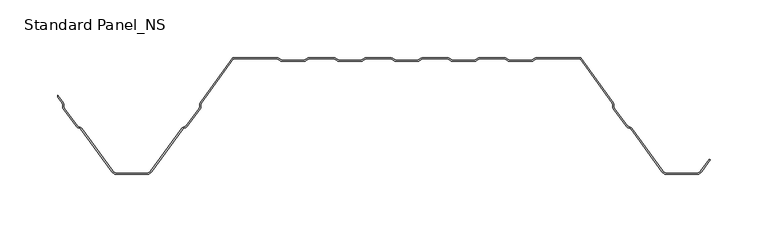
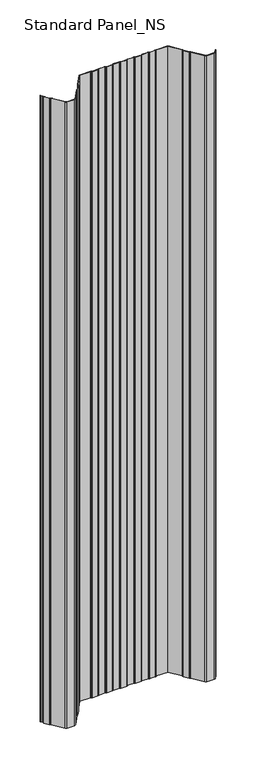
"""IFC4 building model written with IfcOpenShell, lengths in millimetres: proxy geometry, Standard Panel_NS."""

from ifc_helpers import new_model, si_unit, point, frame, frame_2d, origin, place, context, project, spatial, polyline, circle_curve, trimmed, segment, composite_curve, outline, extrude, source, transform, mapped, element, save


def standard_panel_ns_fb59e792(model_context):
    return source(origin(), model_context, "Body", "SweptSolid", [
        extrude(outline(composite_curve([segment(trimmed(circle_curve(frame_2d((-267.5943585, -40.4146398)), 2.7486049), [point((-265.3690593, -38.8012978))], [point((-264.8478766, -40.3066321))], False, "CARTESIAN"), True, "CONTINUOUS"), segment(polyline([(-264.8478766, -40.3066321), (-264.7597012, -42.5488047)]), True, "CONTINUOUS"), segment(trimmed(circle_curve(frame_2d((-263.0124469, -42.4800924)), 1.7486049), [point((-264.7597012, -42.5488047))], [point((-264.4281357, -43.5064668))], True, "CARTESIAN"), True, "CONTINUOUS"), segment(polyline([(-264.4281357, -43.5064668), (-253.3103066, -58.8414035)]), True, "CONTINUOUS"), segment(trimmed(circle_curve(frame_2d((-251.8946178, -57.8150291)), 1.7486049), [point((-253.3103066, -58.8414035))], [point((-252.503212, -59.4543071))], True, "CARTESIAN"), True, "CONTINUOUS"), segment(polyline([(-252.503212, -59.4543071), (-250.3996006, -60.2352885)]), True, "CONTINUOUS"), segment(trimmed(circle_curve(frame_2d((-251.3562404, -62.8120441)), 2.7486049), [point((-250.3996006, -60.2352885))], [point((-249.1309412, -61.1987022))], False, "CARTESIAN"), True, "CONTINUOUS"), segment(polyline([(-249.1309412, -61.1987022), (-222.4972428, -97.9348379)]), True, "CONTINUOUS"), segment(trimmed(circle_curve(frame_2d((-218.4491906, -95.0)), 5.0), [point((-222.4972428, -97.9348379))], [point((-218.4491906, -100.0))], True, "CARTESIAN"), True, "CONTINUOUS"), segment(polyline([(-218.4491906, -100.0), (-193.5508099, -100.0)]), True, "CONTINUOUS"), segment(trimmed(circle_curve(frame_2d((-193.5508099, -95.0)), 5.0), [point((-193.5508099, -100.0))], [point((-189.5027577, -97.9348379))], True, "CARTESIAN"), True, "CONTINUOUS"), segment(polyline([(-189.5027577, -97.9348379), (-162.8690593, -61.1987022)]), True, "CONTINUOUS"), segment(trimmed(circle_curve(frame_2d((-160.6437601, -62.8120441)), 2.7486049), [point((-162.8690593, -61.1987022))], [point((-161.6003999, -60.2352885))], False, "CARTESIAN"), True, "CONTINUOUS"), segment(polyline([(-161.6003999, -60.2352885), (-159.4967885, -59.4543071)]), True, "CONTINUOUS"), segment(trimmed(circle_curve(frame_2d((-160.1053827, -57.8150291)), 1.7486049), [point((-159.4967885, -59.4543071))], [point((-158.6896939, -58.8414035))], True, "CARTESIAN"), True, "CONTINUOUS"), segment(polyline([(-158.6896939, -58.8414035), (-147.5718648, -43.5064668)]), True, "CONTINUOUS"), segment(trimmed(circle_curve(frame_2d((-148.9875536, -42.4800924)), 1.7486049), [point((-147.5718648, -43.5064668))], [point((-147.2402992, -42.5488047))], True, "CARTESIAN"), True, "CONTINUOUS"), segment(polyline([(-147.2402992, -42.5488047), (-147.1521239, -40.3066321)]), True, "CONTINUOUS"), segment(trimmed(circle_curve(frame_2d((-144.4056419, -40.4146398)), 2.7486049), [point((-147.1521239, -40.3066321))], [point((-146.6309412, -38.8012978))], False, "CARTESIAN"), True, "CONTINUOUS"), segment(polyline([(-146.6309412, -38.8012978), (-118.5000002, 0.0), (-80.1655442, 0.0)]), True, "CONTINUOUS"), segment(trimmed(circle_curve(frame_2d((-80.1655442, -2.7486049)), 2.7486049), [point((-80.1655442, 0.0))], [point((-78.6408925, -0.4616274))], False, "CARTESIAN"), True, "CONTINUOUS"), segment(polyline([(-78.6408925, -0.4616274), (-76.7738501, -1.7063223)]), True, "CONTINUOUS"), segment(trimmed(circle_curve(frame_2d((-75.8038986, -0.2513951)), 1.7486049), [point((-76.7738501, -1.7063223))], [point((-75.8038986, -2.0))], True, "CARTESIAN"), True, "CONTINUOUS"), segment(polyline([(-75.8038986, -2.0), (-56.8627685, -2.0)]), True, "CONTINUOUS"), segment(trimmed(circle_curve(frame_2d((-56.8627685, -0.2513951)), 1.7486049), [point((-56.8627685, -2.0))], [point((-55.892817, -1.7063223))], True, "CARTESIAN"), True, "CONTINUOUS"), segment(polyline([(-55.892817, -1.7063223), (-54.0257746, -0.4616274)]), True, "CONTINUOUS"), segment(trimmed(circle_curve(frame_2d((-52.501123, -2.7486049)), 2.7486049), [point((-54.0257746, -0.4616274))], [point((-52.501123, 0.0))], False, "CARTESIAN"), True, "CONTINUOUS"), segment(polyline([(-52.501123, 0.0), (-30.9988775, 0.0)]), True, "CONTINUOUS"), segment(trimmed(circle_curve(frame_2d((-30.9988775, -2.7486049)), 2.7486049), [point((-30.9988775, 0.0))], [point((-29.4742258, -0.4616274))], False, "CARTESIAN"), True, "CONTINUOUS"), segment(polyline([(-29.4742258, -0.4616274), (-27.6071834, -1.7063223)]), True, "CONTINUOUS"), segment(trimmed(circle_curve(frame_2d((-26.6372319, -0.2513951)), 1.7486049), [point((-27.6071834, -1.7063223))], [point((-26.6372319, -2.0))], True, "CARTESIAN"), True, "CONTINUOUS"), segment(polyline([(-26.6372319, -2.0), (-7.6961019, -2.0)]), True, "CONTINUOUS"), segment(trimmed(circle_curve(frame_2d((-7.6961019, -0.2513951)), 1.7486049), [point((-7.6961019, -2.0))], [point((-6.7261504, -1.7063223))], True, "CARTESIAN"), True, "CONTINUOUS"), segment(polyline([(-6.7261504, -1.7063223), (-4.859108, -0.4616274)]), True, "CONTINUOUS"), segment(trimmed(circle_curve(frame_2d((-3.3344563, -2.7486049)), 2.7486049), [point((-4.859108, -0.4616274))], [point((-3.3344563, 0.0))], False, "CARTESIAN"), True, "CONTINUOUS"), segment(polyline([(-3.3344563, 0.0), (18.1677892, 0.0)]), True, "CONTINUOUS"), segment(trimmed(circle_curve(frame_2d((18.1677892, -2.7486049)), 2.7486049), [point((18.1677892, 0.0))], [point((19.6924408, -0.4616274))], False, "CARTESIAN"), True, "CONTINUOUS"), segment(polyline([(19.6924408, -0.4616274), (21.5594833, -1.7063223)]), True, "CONTINUOUS"), segment(trimmed(circle_curve(frame_2d((22.5294347, -0.2513951)), 1.7486049), [point((21.5594833, -1.7063223))], [point((22.5294347, -2.0))], True, "CARTESIAN"), True, "CONTINUOUS"), segment(polyline([(22.5294347, -2.0), (41.4705648, -2.0)]), True, "CONTINUOUS"), segment(trimmed(circle_curve(frame_2d((41.4705648, -0.2513951)), 1.7486049), [point((41.4705648, -2.0))], [point((42.4405163, -1.7063223))], True, "CARTESIAN"), True, "CONTINUOUS"), segment(polyline([(42.4405163, -1.7063223), (44.3075587, -0.4616274)]), True, "CONTINUOUS"), segment(trimmed(circle_curve(frame_2d((45.8322104, -2.7486049)), 2.7486049), [point((44.3075587, -0.4616274))], [point((45.8322104, 0.0))], False, "CARTESIAN"), True, "CONTINUOUS"), segment(polyline([(45.8322104, 0.0), (67.3344558, 0.0)]), True, "CONTINUOUS"), segment(trimmed(circle_curve(frame_2d((67.3344558, -2.7486049)), 2.7486049), [point((67.3344558, 0.0))], [point((68.8591075, -0.4616274))], False, "CARTESIAN"), True, "CONTINUOUS"), segment(polyline([(68.8591075, -0.4616274), (70.7261499, -1.7063223)]), True, "CONTINUOUS"), segment(trimmed(circle_curve(frame_2d((71.6961014, -0.2513951)), 1.7486049), [point((70.7261499, -1.7063223))], [point((71.6961014, -2.0))], True, "CARTESIAN"), True, "CONTINUOUS"), segment(polyline([(71.6961014, -2.0), (90.6372315, -2.0)]), True, "CONTINUOUS"), segment(trimmed(circle_curve(frame_2d((90.6372315, -0.2513951)), 1.7486049), [point((90.6372315, -2.0))], [point((91.607183, -1.7063223))], True, "CARTESIAN"), True, "CONTINUOUS"), segment(polyline([(91.607183, -1.7063223), (93.4742254, -0.4616274)]), True, "CONTINUOUS"), segment(trimmed(circle_curve(frame_2d((94.998877, -2.7486049)), 2.7486049), [point((93.4742254, -0.4616274))], [point((94.998877, 0.0))], False, "CARTESIAN"), True, "CONTINUOUS"), segment(polyline([(94.998877, 0.0), (116.5011225, 0.0)]), True, "CONTINUOUS"), segment(trimmed(circle_curve(frame_2d((116.5011225, -2.7486049)), 2.7486049), [point((116.5011225, 0.0))], [point((118.0257742, -0.4616274))], False, "CARTESIAN"), True, "CONTINUOUS"), segment(polyline([(118.0257742, -0.4616274), (119.8928166, -1.7063223)]), True, "CONTINUOUS"), segment(trimmed(circle_curve(frame_2d((120.8627681, -0.2513951)), 1.7486049), [point((119.8928166, -1.7063223))], [point((120.8627681, -2.0))], True, "CARTESIAN"), True, "CONTINUOUS"), segment(polyline([(120.8627681, -2.0), (139.8038981, -2.0)]), True, "CONTINUOUS"), segment(trimmed(circle_curve(frame_2d((139.8038981, -0.2513951)), 1.7486049), [point((139.8038981, -2.0))], [point((140.7738496, -1.7063223))], True, "CARTESIAN"), True, "CONTINUOUS"), segment(polyline([(140.7738496, -1.7063223), (142.640892, -0.4616274)]), True, "CONTINUOUS"), segment(trimmed(circle_curve(frame_2d((144.1655437, -2.7486049)), 2.7486049), [point((142.640892, -0.4616274))], [point((144.1655437, 0.0))], False, "CARTESIAN"), True, "CONTINUOUS"), segment(polyline([(144.1655437, 0.0), (182.4999998, 0.0), (210.6309407, -38.8012978)]), True, "CONTINUOUS"), segment(trimmed(circle_curve(frame_2d((208.4056415, -40.4146398)), 2.7486049), [point((210.6309407, -38.8012978))], [point((211.1521234, -40.3066321))], False, "CARTESIAN"), True, "CONTINUOUS"), segment(polyline([(211.1521234, -40.3066321), (211.2402988, -42.5488047)]), True, "CONTINUOUS"), segment(trimmed(circle_curve(frame_2d((212.9875531, -42.4800924)), 1.7486049), [point((211.2402988, -42.5488047))], [point((211.5718643, -43.5064668))], True, "CARTESIAN"), True, "CONTINUOUS"), segment(polyline([(211.5718643, -43.5064668), (222.6896934, -58.8414035)]), True, "CONTINUOUS"), segment(trimmed(circle_curve(frame_2d((224.1053822, -57.8150291)), 1.7486049), [point((222.6896934, -58.8414035))], [point((223.496788, -59.4543071))], True, "CARTESIAN"), True, "CONTINUOUS"), segment(polyline([(223.496788, -59.4543071), (225.6003994, -60.2352885)]), True, "CONTINUOUS"), segment(trimmed(circle_curve(frame_2d((224.6437596, -62.8120441)), 2.7486049), [point((225.6003994, -60.2352885))], [point((226.8690588, -61.1987022))], False, "CARTESIAN"), True, "CONTINUOUS"), segment(polyline([(226.8690588, -61.1987022), (253.5027572, -97.9348379)]), True, "CONTINUOUS"), segment(trimmed(circle_curve(frame_2d((257.5508094, -95.0)), 5.0), [point((253.5027572, -97.9348379))], [point((257.5508094, -100.0))], True, "CARTESIAN"), True, "CONTINUOUS"), segment(polyline([(257.5508094, -100.0), (282.4491901, -100.0)]), True, "CONTINUOUS"), segment(trimmed(circle_curve(frame_2d((282.4491901, -95.0)), 5.0), [point((282.4491901, -100.0))], [point((286.4972423, -97.9348379))], True, "CARTESIAN"), True, "CONTINUOUS"), segment(polyline([(286.4972423, -97.9348379), (293.8045133, -87.8558433), (294.6141238, -88.4428109), (287.3068528, -98.5218054)]), True, "CONTINUOUS"), segment(trimmed(circle_curve(frame_2d((282.4491901, -95.0)), 6.0), [point((287.3068528, -98.5218054))], [point((282.4491901, -101.0))], False, "CARTESIAN"), True, "CONTINUOUS"), segment(polyline([(282.4491901, -101.0), (257.5508094, -101.0)]), True, "CONTINUOUS"), segment(trimmed(circle_curve(frame_2d((257.5508094, -95.0)), 6.0), [point((257.5508094, -101.0))], [point((252.6931468, -98.5218054))], False, "CARTESIAN"), True, "CONTINUOUS"), segment(polyline([(252.6931468, -98.5218054), (226.0594484, -61.7856697)]), True, "CONTINUOUS"), segment(trimmed(circle_curve(frame_2d((224.6437596, -62.8120441)), 1.7486049), [point((226.0594484, -61.7856697))], [point((225.2523538, -61.1727662))], True, "CARTESIAN"), True, "CONTINUOUS"), segment(polyline([(225.2523538, -61.1727662), (223.1487424, -60.3917847)]), True, "CONTINUOUS"), segment(trimmed(circle_curve(frame_2d((224.1053822, -57.8150291)), 2.7486049), [point((223.1487424, -60.3917847))], [point((221.880083, -59.4283711))], False, "CARTESIAN"), True, "CONTINUOUS"), segment(polyline([(221.880083, -59.4283711), (210.7622539, -44.0934344)]), True, "CONTINUOUS"), segment(trimmed(circle_curve(frame_2d((212.9875531, -42.4800924)), 2.7486049), [point((210.7622539, -44.0934344))], [point((210.2410711, -42.5881001))], False, "CARTESIAN"), True, "CONTINUOUS"), segment(polyline([(210.2410711, -42.5881001), (210.1528958, -40.3459275)]), True, "CONTINUOUS"), segment(trimmed(circle_curve(frame_2d((208.4056415, -40.4146398)), 1.7486049), [point((210.1528958, -40.3459275))], [point((209.8213303, -39.3882654))], True, "CARTESIAN"), True, "CONTINUOUS"), segment(polyline([(209.8213303, -39.3882654), (181.9898378, -1.0), (144.1655437, -1.0)]), True, "CONTINUOUS"), segment(trimmed(circle_curve(frame_2d((144.1655437, -2.7486049)), 1.7486049), [point((144.1655437, -1.0))], [point((143.1955922, -1.2936777))], True, "CARTESIAN"), True, "CONTINUOUS"), segment(polyline([(143.1955922, -1.2936777), (141.3285498, -2.5383726)]), True, "CONTINUOUS"), segment(trimmed(circle_curve(frame_2d((139.8038981, -0.2513951)), 2.7486049), [point((141.3285498, -2.5383726))], [point((139.8038981, -3.0))], False, "CARTESIAN"), True, "CONTINUOUS"), segment(polyline([(139.8038981, -3.0), (120.8627681, -3.0)]), True, "CONTINUOUS"), segment(trimmed(circle_curve(frame_2d((120.8627681, -0.2513951)), 2.7486049), [point((120.8627681, -3.0))], [point((119.3381164, -2.5383726))], False, "CARTESIAN"), True, "CONTINUOUS"), segment(polyline([(119.3381164, -2.5383726), (117.471074, -1.2936777)]), True, "CONTINUOUS"), segment(trimmed(circle_curve(frame_2d((116.5011225, -2.7486049)), 1.7486049), [point((117.471074, -1.2936777))], [point((116.5011225, -1.0))], True, "CARTESIAN"), True, "CONTINUOUS"), segment(polyline([(116.5011225, -1.0), (94.998877, -1.0)]), True, "CONTINUOUS"), segment(trimmed(circle_curve(frame_2d((94.998877, -2.7486049)), 1.7486049), [point((94.998877, -1.0))], [point((94.0289256, -1.2936777))], True, "CARTESIAN"), True, "CONTINUOUS"), segment(polyline([(94.0289256, -1.2936777), (92.1618831, -2.5383726)]), True, "CONTINUOUS"), segment(trimmed(circle_curve(frame_2d((90.6372315, -0.2513951)), 2.7486049), [point((92.1618831, -2.5383726))], [point((90.6372315, -3.0))], False, "CARTESIAN"), True, "CONTINUOUS"), segment(polyline([(90.6372315, -3.0), (71.6961014, -3.0)]), True, "CONTINUOUS"), segment(trimmed(circle_curve(frame_2d((71.6961014, -0.2513951)), 2.7486049), [point((71.6961014, -3.0))], [point((70.1714497, -2.5383726))], False, "CARTESIAN"), True, "CONTINUOUS"), segment(polyline([(70.1714497, -2.5383726), (68.3044073, -1.2936777)]), True, "CONTINUOUS"), segment(trimmed(circle_curve(frame_2d((67.3344558, -2.7486049)), 1.7486049), [point((68.3044073, -1.2936777))], [point((67.3344558, -1.0))], True, "CARTESIAN"), True, "CONTINUOUS"), segment(polyline([(67.3344558, -1.0), (45.8322104, -1.0)]), True, "CONTINUOUS"), segment(trimmed(circle_curve(frame_2d((45.8322104, -2.7486049)), 1.7486049), [point((45.8322104, -1.0))], [point((44.8622589, -1.2936777))], True, "CARTESIAN"), True, "CONTINUOUS"), segment(polyline([(44.8622589, -1.2936777), (42.9952165, -2.5383726)]), True, "CONTINUOUS"), segment(trimmed(circle_curve(frame_2d((41.4705648, -0.2513951)), 2.7486049), [point((42.9952165, -2.5383726))], [point((41.4705648, -3.0))], False, "CARTESIAN"), True, "CONTINUOUS"), segment(polyline([(41.4705648, -3.0), (22.5294347, -3.0)]), True, "CONTINUOUS"), segment(trimmed(circle_curve(frame_2d((22.5294347, -0.2513951)), 2.7486049), [point((22.5294347, -3.0))], [point((21.0047831, -2.5383726))], False, "CARTESIAN"), True, "CONTINUOUS"), segment(polyline([(21.0047831, -2.5383726), (19.1377406, -1.2936777)]), True, "CONTINUOUS"), segment(trimmed(circle_curve(frame_2d((18.1677892, -2.7486049)), 1.7486049), [point((19.1377406, -1.2936777))], [point((18.1677892, -1.0))], True, "CARTESIAN"), True, "CONTINUOUS"), segment(polyline([(18.1677892, -1.0), (-3.3344563, -1.0)]), True, "CONTINUOUS"), segment(trimmed(circle_curve(frame_2d((-3.3344563, -2.7486049)), 1.7486049), [point((-3.3344563, -1.0))], [point((-4.3044078, -1.2936777))], True, "CARTESIAN"), True, "CONTINUOUS"), segment(polyline([(-4.3044078, -1.2936777), (-6.1714502, -2.5383726)]), True, "CONTINUOUS"), segment(trimmed(circle_curve(frame_2d((-7.6961019, -0.2513951)), 2.7486049), [point((-6.1714502, -2.5383726))], [point((-7.6961019, -3.0))], False, "CARTESIAN"), True, "CONTINUOUS"), segment(polyline([(-7.6961019, -3.0), (-26.6372319, -3.0)]), True, "CONTINUOUS"), segment(trimmed(circle_curve(frame_2d((-26.6372319, -0.2513951)), 2.7486049), [point((-26.6372319, -3.0))], [point((-28.1618836, -2.5383726))], False, "CARTESIAN"), True, "CONTINUOUS"), segment(polyline([(-28.1618836, -2.5383726), (-30.028926, -1.2936777)]), True, "CONTINUOUS"), segment(trimmed(circle_curve(frame_2d((-30.9988775, -2.7486049)), 1.7486049), [point((-30.028926, -1.2936777))], [point((-30.9988775, -1.0))], True, "CARTESIAN"), True, "CONTINUOUS"), segment(polyline([(-30.9988775, -1.0), (-52.501123, -1.0)]), True, "CONTINUOUS"), segment(trimmed(circle_curve(frame_2d((-52.501123, -2.7486049)), 1.7486049), [point((-52.501123, -1.0))], [point((-53.4710744, -1.2936777))], True, "CARTESIAN"), True, "CONTINUOUS"), segment(polyline([(-53.4710744, -1.2936777), (-55.3381169, -2.5383726)]), True, "CONTINUOUS"), segment(trimmed(circle_curve(frame_2d((-56.8627685, -0.2513951)), 2.7486049), [point((-55.3381169, -2.5383726))], [point((-56.8627685, -3.0))], False, "CARTESIAN"), True, "CONTINUOUS"), segment(polyline([(-56.8627685, -3.0), (-75.8038986, -3.0)]), True, "CONTINUOUS"), segment(trimmed(circle_curve(frame_2d((-75.8038986, -0.2513951)), 2.7486049), [point((-75.8038986, -3.0))], [point((-77.3285503, -2.5383726))], False, "CARTESIAN"), True, "CONTINUOUS"), segment(polyline([(-77.3285503, -2.5383726), (-79.1955927, -1.2936777)]), True, "CONTINUOUS"), segment(trimmed(circle_curve(frame_2d((-80.1655442, -2.7486049)), 1.7486049), [point((-79.1955927, -1.2936777))], [point((-80.1655442, -1.0))], True, "CARTESIAN"), True, "CONTINUOUS"), segment(polyline([(-80.1655442, -1.0), (-117.9898383, -1.0), (-145.8213307, -39.3882654)]), True, "CONTINUOUS"), segment(trimmed(circle_curve(frame_2d((-144.4056419, -40.4146398)), 1.7486049), [point((-145.8213307, -39.3882654))], [point((-146.1528963, -40.3459275))], True, "CARTESIAN"), True, "CONTINUOUS"), segment(polyline([(-146.1528963, -40.3459275), (-146.2410716, -42.5881001)]), True, "CONTINUOUS"), segment(trimmed(circle_curve(frame_2d((-148.9875536, -42.4800924)), 2.7486049), [point((-146.2410716, -42.5881001))], [point((-146.7622543, -44.0934344))], False, "CARTESIAN"), True, "CONTINUOUS"), segment(polyline([(-146.7622543, -44.0934344), (-157.8800835, -59.4283711)]), True, "CONTINUOUS"), segment(trimmed(circle_curve(frame_2d((-160.1053827, -57.8150291)), 2.7486049), [point((-157.8800835, -59.4283711))], [point((-159.1487429, -60.3917847))], False, "CARTESIAN"), True, "CONTINUOUS"), segment(polyline([(-159.1487429, -60.3917847), (-161.2523543, -61.1727662)]), True, "CONTINUOUS"), segment(trimmed(circle_curve(frame_2d((-160.6437601, -62.8120441)), 1.7486049), [point((-161.2523543, -61.1727662))], [point((-162.0594488, -61.7856697))], True, "CARTESIAN"), True, "CONTINUOUS"), segment(polyline([(-162.0594488, -61.7856697), (-188.6931472, -98.5218054)]), True, "CONTINUOUS"), segment(trimmed(circle_curve(frame_2d((-193.5508099, -95.0)), 6.0), [point((-188.6931472, -98.5218054))], [point((-193.5508099, -101.0))], False, "CARTESIAN"), True, "CONTINUOUS"), segment(polyline([(-193.5508099, -101.0), (-218.4491906, -101.0)]), True, "CONTINUOUS"), segment(trimmed(circle_curve(frame_2d((-218.4491906, -95.0)), 6.0), [point((-218.4491906, -101.0))], [point((-223.3068532, -98.5218054))], False, "CARTESIAN"), True, "CONTINUOUS"), segment(polyline([(-223.3068532, -98.5218054), (-249.9405516, -61.7856697)]), True, "CONTINUOUS"), segment(trimmed(circle_curve(frame_2d((-251.3562404, -62.8120441)), 1.7486049), [point((-249.9405516, -61.7856697))], [point((-250.7476462, -61.1727662))], True, "CARTESIAN"), True, "CONTINUOUS"), segment(polyline([(-250.7476462, -61.1727662), (-252.8512576, -60.3917847)]), True, "CONTINUOUS"), segment(trimmed(circle_curve(frame_2d((-251.8946178, -57.8150291)), 2.7486049), [point((-252.8512576, -60.3917847))], [point((-254.119917, -59.4283711))], False, "CARTESIAN"), True, "CONTINUOUS"), segment(polyline([(-254.119917, -59.4283711), (-265.2377461, -44.0934344)]), True, "CONTINUOUS"), segment(trimmed(circle_curve(frame_2d((-263.0124469, -42.4800924)), 2.7486049), [point((-265.2377461, -44.0934344))], [point((-265.7589289, -42.5881001))], False, "CARTESIAN"), True, "CONTINUOUS"), segment(polyline([(-265.7589289, -42.5881001), (-265.8471042, -40.3459275)]), True, "CONTINUOUS"), segment(trimmed(circle_curve(frame_2d((-267.5943585, -40.4146398)), 1.7486049), [point((-265.8471042, -40.3459275))], [point((-266.1786697, -39.3882654))], True, "CARTESIAN"), True, "CONTINUOUS"), segment(polyline([(-266.1786697, -39.3882654), (-269.9999998, -34.1174654), (-269.9999998, -32.4137937), (-265.3690593, -38.8012978)]), True, "CONTINUOUS")], self_intersect=False)), frame((0.0, 0.0, -250.0), z_axis=(0.0, 0.0, 1.0), x_axis=(1.0, 0.0, 0.0)), (0.0, 0.0, 1.0), 2250.0),
    ])


if __name__ == "__main__":
    model = new_model("IFC4")
    model_context = context("Model", 3, world=origin())
    ifc_project = project(units=[si_unit("LENGTHUNIT", "METRE", prefix="MILLI")], contexts=[model_context])
    site = spatial("IfcSite", under=ifc_project)
    building = spatial("IfcBuilding", under=site)
    placement = place(None, origin())
    standard_panel_ns_shape = standard_panel_ns_fb59e792(model_context)
    element("IfcBuildingElementProxy", 1, Name="Standard Panel_NS", ObjectType="Standard Panel_NS", at=placement, inside=building, context=model_context, shape_type="MappedRepresentation", body=[
        mapped(standard_panel_ns_shape, transform((0.0, 0.0, 0.0), x_axis=(1.0, 0.0, 0.0), y_axis=(0.0, 1.0, 0.0), z_axis=(0.0, 0.0, 1.0))),
    ])
    save(model, "model.ifc")
